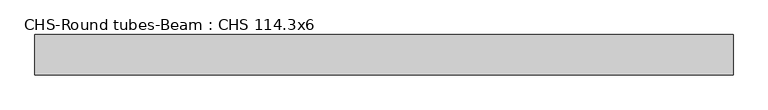
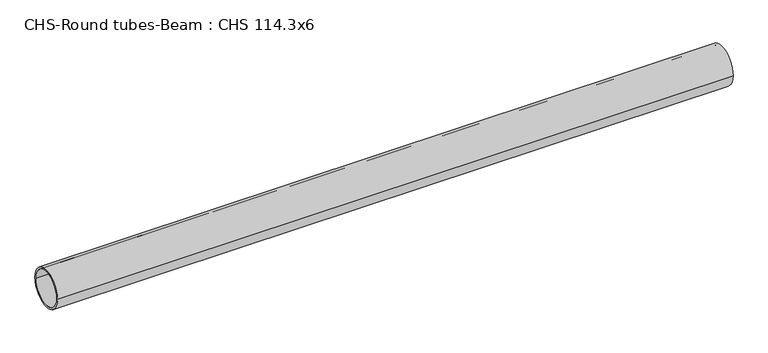
"""IFC4 building model written with IfcOpenShell, lengths in millimetres: beam geometry, CHS-Round tubes-Beam : CHS 114.3x6."""

from ifc_helpers import new_model, si_unit, point, frame, origin, origin_2d, place, context, project, spatial, circle_curve, trimmed, segment, composite_curve, outline, extrude, source, transform, mapped, element, save


def chs_round_tubes_beam_chs_114_3x6_e3a42bfc(model_context):
    return source(origin(), model_context, "Body", "SweptSolid", [
        extrude(outline(composite_curve([segment(trimmed(circle_curve(origin_2d(), 57.15), [point((57.15, 0.0))], [point((-57.15, 0.0))], False, "CARTESIAN"), True, "CONTINUOUS"), segment(trimmed(circle_curve(origin_2d(), 57.15), [point((-57.15, 0.0))], [point((57.15, 0.0))], False, "CARTESIAN"), True, "CONTINUOUS")], self_intersect=False), holes=[composite_curve([segment(trimmed(circle_curve(origin_2d(), 51.15), [point((51.15, 0.0))], [point((-51.15, 0.0))], True, "CARTESIAN"), True, "CONTINUOUS"), segment(trimmed(circle_curve(origin_2d(), 51.15), [point((-51.15, 0.0))], [point((51.15, 0.0))], True, "CARTESIAN"), True, "CONTINUOUS")], self_intersect=False)]), frame((-851.7018728, 0.0, 0.0), z_axis=(1.0, 0.0, 0.0), x_axis=(0.0, 1.0, 0.0)), (0.0, 0.0, 1.0), 1980.8500098),
    ])


if __name__ == "__main__":
    model = new_model("IFC4")
    model_context = context("Model", 3, world=origin())
    ifc_project = project(units=[si_unit("LENGTHUNIT", "METRE", prefix="MILLI")], contexts=[model_context])
    site = spatial("IfcSite", under=ifc_project)
    building = spatial("IfcBuilding", under=site)
    placement = place(None, origin())
    chs_round_tubes_beam_chs_114_3x6_shape = chs_round_tubes_beam_chs_114_3x6_e3a42bfc(model_context)
    element("IfcBeam", 1, ObjectType="CHS-Round tubes-Beam : CHS 114.3x6", at=placement, inside=building, context=model_context, shape_type="MappedRepresentation", body=[
        mapped(chs_round_tubes_beam_chs_114_3x6_shape, transform((0.0, 0.0, 0.0), x_axis=(1.0, 0.0, 0.0), y_axis=(0.0, 1.0, 0.0), z_axis=(0.0, 0.0, 1.0))),
    ])
    save(model, "model.ifc")
